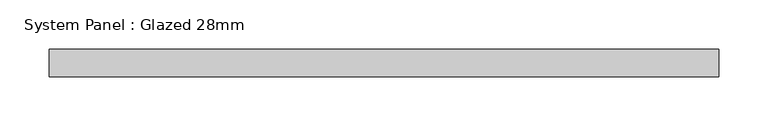
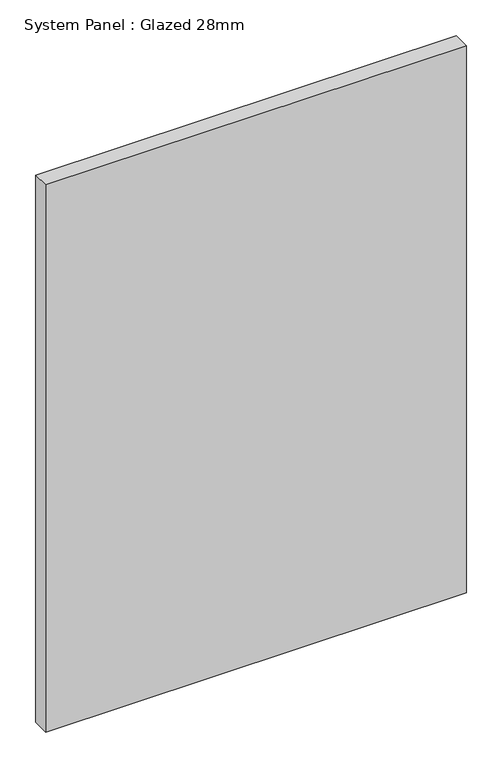
"""IFC4 building model written with IfcOpenShell, lengths in millimetres: plate geometry, System Panel : Glazed 28mm."""

from ifc_helpers import new_model, si_unit, origin, origin_with_axes, place, context, project, spatial, polyline, outline, extrude, source, transform, mapped, element, save


def system_panel_glazed_28mm_9a49a3ea(model_context):
    return source(origin(), model_context, "Body", "SweptSolid", [
        extrude(outline(polyline([(341.1004381, -14.0), (-341.1004381, -14.0), (-341.1004381, 14.0), (341.1004381, 14.0), (341.1004381, -14.0)])), origin_with_axes(), (0.0, 0.0, 1.0), 938.0064583),
    ])


if __name__ == "__main__":
    model = new_model("IFC4")
    model_context = context("Model", 3, world=origin())
    ifc_project = project(units=[si_unit("LENGTHUNIT", "METRE", prefix="MILLI")], contexts=[model_context])
    site = spatial("IfcSite", under=ifc_project)
    building = spatial("IfcBuilding", under=site)
    placement = place(None, origin())
    system_panel_glazed_28mm_shape = system_panel_glazed_28mm_9a49a3ea(model_context)
    element("IfcPlate", 1, ObjectType="System Panel : Glazed 28mm", at=placement, inside=building, context=model_context, shape_type="MappedRepresentation", body=[
        mapped(system_panel_glazed_28mm_shape, transform((0.0, 0.0, 0.0), x_axis=(1.0, 0.0, 0.0), y_axis=(0.0, 1.0, 0.0), z_axis=(0.0, 0.0, 1.0))),
    ])
    save(model, "model.ifc")
